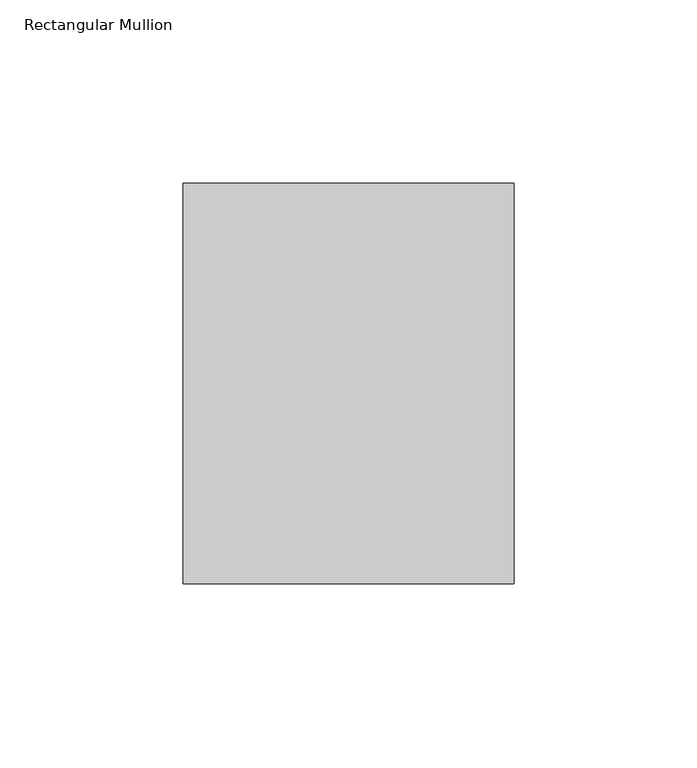
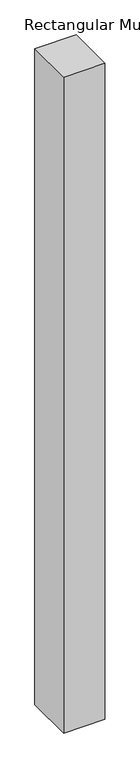
"""IFC4 building model written with IfcOpenShell, lengths in millimetres: member geometry, Rectangular Mullion."""

from ifc_helpers import new_model, si_unit, frame, origin, place, context, project, spatial, polyline, outline, extrude, source, transform, mapped, element, save


def rectangular_mullion_9b0d748b(model_context):
    return source(origin(), model_context, "Body", "SweptSolid", [
        extrude(outline(polyline([(45.24375, -74.6125), (-45.24375, -74.6125), (-45.24375, 34.925), (45.24375, 34.925), (45.24375, -74.6125)])), frame((0.0, 0.0, -1524.0), z_axis=(0.0, 0.0, 1.0), x_axis=(1.0, 0.0, 0.0)), (0.0, 0.0, 1.0), 1524.0),
    ])


if __name__ == "__main__":
    model = new_model("IFC4")
    model_context = context("Model", 3, world=origin())
    ifc_project = project(units=[si_unit("LENGTHUNIT", "METRE", prefix="MILLI")], contexts=[model_context])
    site = spatial("IfcSite", under=ifc_project)
    building = spatial("IfcBuilding", under=site)
    placement = place(None, origin())
    rectangular_mullion_shape = rectangular_mullion_9b0d748b(model_context)
    element("IfcMember", 1, ObjectType="Rectangular Mullion", at=placement, inside=building, context=model_context, shape_type="MappedRepresentation", body=[
        mapped(rectangular_mullion_shape, transform((0.0, 0.0, 0.0), x_axis=(1.0, 0.0, 0.0), y_axis=(0.0, 1.0, 0.0), z_axis=(0.0, 0.0, 1.0))),
    ])
    save(model, "model.ifc")
